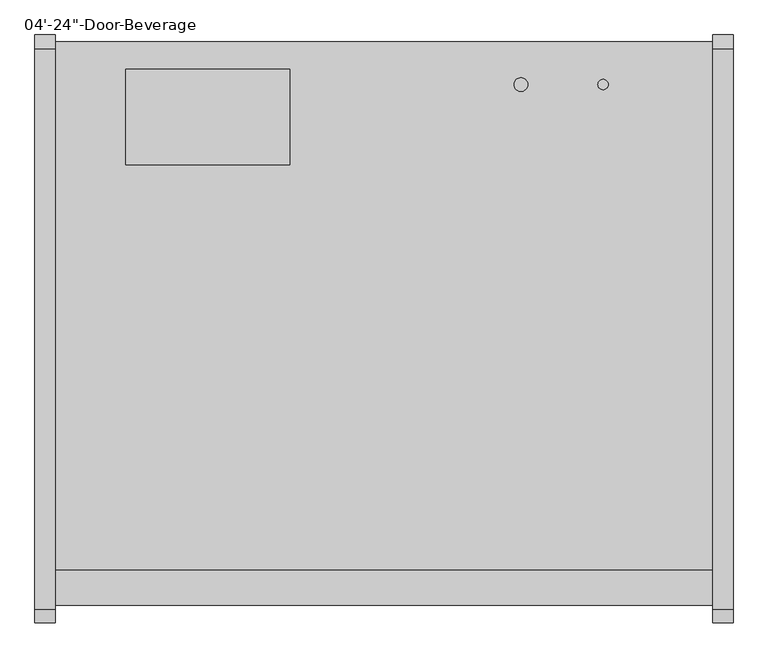
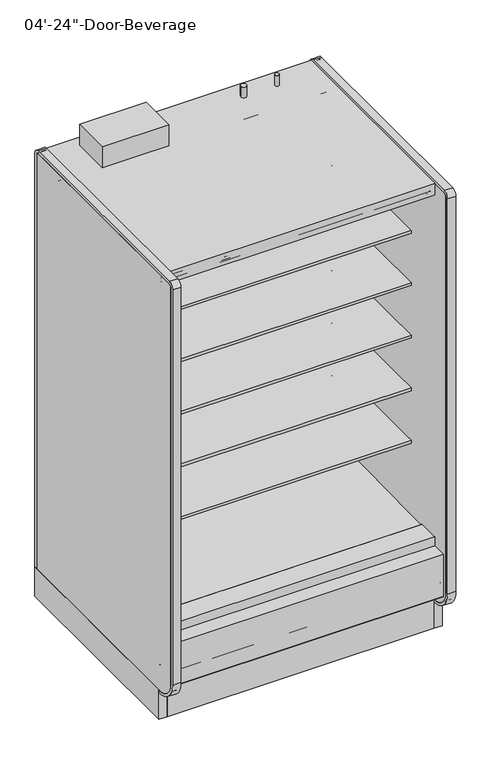
"""IFC4 building model written with IfcOpenShell, lengths in millimetres: proxy geometry."""

from ifc_helpers import new_model, si_unit, point, frame, frame_2d, origin, origin_with_axes, place, context, project, spatial, polyline, circle_curve, trimmed, segment, composite_curve, outline, extrude, source, transform, mapped, element, save
from ifc_brep_helpers import plane_surface, cylinder_surface, revolved_surface, advanced_brep


def proxy_f0cdef7a(model_context):
    return source(origin(), model_context, "Body", "SolidModel", [
        extrude(outline(composite_curve([segment(trimmed(circle_curve(frame_2d((1016.0, -428.3821273)), 9.525), [point((1006.475, -428.3821273))], [point((1025.525, -428.3821273))], False, "CARTESIAN"), True, "CONTINUOUS"), segment(trimmed(circle_curve(frame_2d((1016.0, -428.3821273)), 9.525), [point((1025.525, -428.3821273))], [point((1006.475, -428.3821273))], False, "CARTESIAN"), True, "CONTINUOUS")], self_intersect=False)), frame((0.0, 0.0, 2160.0010137), z_axis=(0.0, 0.0, 1.0), x_axis=(1.0, 0.0, 0.0)), (0.0, 0.0, 1.0), 50.8),
        extrude(outline(composite_curve([segment(trimmed(circle_curve(frame_2d((863.6, -428.3821273)), 12.7), [point((850.9, -428.3821273))], [point((876.3, -428.3821273))], False, "CARTESIAN"), True, "CONTINUOUS"), segment(trimmed(circle_curve(frame_2d((863.6, -428.3821273)), 12.7), [point((876.3, -428.3821273))], [point((850.9, -428.3821273))], False, "CARTESIAN"), True, "CONTINUOUS")], self_intersect=False)), frame((0.0, 0.0, 2160.0010137), z_axis=(0.0, 0.0, 1.0), x_axis=(1.0, 0.0, 0.0)), (0.0, 0.0, 1.0), 50.8),
        extrude(outline(composite_curve([segment(polyline([(-1139.652044, 788.1304004), (-1139.652044, 801.6241504), (-453.852044, 801.6241504), (-453.852044, 700.8188557), (-465.2157046, 700.5975577)]), True, "CONTINUOUS"), segment(trimmed(circle_curve(frame_2d((-465.7036503, 725.6535856)), 25.0607786), [point((-465.2157046, 700.5975577))], [point((-481.6109729, 706.2886764))], False, "CARTESIAN"), True, "CONTINUOUS"), segment(polyline([(-481.6109729, 706.2886764), (-519.8326735, 737.3719449)]), True, "CONTINUOUS"), segment(trimmed(circle_curve(frame_2d((-559.8971466, 688.1064601)), 63.5), [point((-519.8326735, 737.3719449))], [point((-553.0441372, 751.2355839))], True, "CARTESIAN"), True, "CONTINUOUS"), segment(polyline([(-553.0441372, 751.2355839), (-968.6518104, 783.846074), (-968.6518104, 788.1304004), (-1139.652044, 788.1304004)]), True, "CONTINUOUS")], self_intersect=False)), frame((0.0, 0.0, 0.0), z_axis=(1.0, 0.0, 0.0), x_axis=(0.0, 1.0, 0.0)), (0.0, 0.0, 1.0), 1219.2),
        extrude(outline(composite_curve([segment(polyline([(-1139.652044, 1042.1304004), (-1139.652044, 1055.6241504), (-453.852044, 1055.6241504), (-453.852044, 954.8188557), (-465.2157046, 954.5975577)]), True, "CONTINUOUS"), segment(trimmed(circle_curve(frame_2d((-465.7036503, 979.6535856)), 25.0607786), [point((-465.2157046, 954.5975577))], [point((-481.6109729, 960.2886764))], False, "CARTESIAN"), True, "CONTINUOUS"), segment(polyline([(-481.6109729, 960.2886764), (-519.8326735, 991.3719449)]), True, "CONTINUOUS"), segment(trimmed(circle_curve(frame_2d((-559.8971466, 942.1064601)), 63.5), [point((-519.8326735, 991.3719449))], [point((-553.0441372, 1005.2355839))], True, "CARTESIAN"), True, "CONTINUOUS"), segment(polyline([(-553.0441372, 1005.2355839), (-968.6518104, 1037.846074), (-968.6518104, 1042.1304004), (-1139.652044, 1042.1304004)]), True, "CONTINUOUS")], self_intersect=False)), frame((0.0, 0.0, 0.0), z_axis=(1.0, 0.0, 0.0), x_axis=(0.0, 1.0, 0.0)), (0.0, 0.0, 1.0), 1219.2),
        extrude(outline(composite_curve([segment(polyline([(-1139.652044, 1296.1304004), (-1139.652044, 1309.6241504), (-453.852044, 1309.6241504), (-453.852044, 1208.8188557), (-465.2157046, 1208.5975577)]), True, "CONTINUOUS"), segment(trimmed(circle_curve(frame_2d((-465.7036503, 1233.6535856)), 25.0607786), [point((-465.2157046, 1208.5975577))], [point((-481.6109729, 1214.2886764))], False, "CARTESIAN"), True, "CONTINUOUS"), segment(polyline([(-481.6109729, 1214.2886764), (-519.8326735, 1245.3719449)]), True, "CONTINUOUS"), segment(trimmed(circle_curve(frame_2d((-559.8971466, 1196.1064601)), 63.5), [point((-519.8326735, 1245.3719449))], [point((-553.0441372, 1259.2355839))], True, "CARTESIAN"), True, "CONTINUOUS"), segment(polyline([(-553.0441372, 1259.2355839), (-968.6518104, 1291.846074), (-968.6518104, 1296.1304004), (-1139.652044, 1296.1304004)]), True, "CONTINUOUS")], self_intersect=False)), frame((0.0, 0.0, 0.0), z_axis=(1.0, 0.0, 0.0), x_axis=(0.0, 1.0, 0.0)), (0.0, 0.0, 1.0), 1219.2),
        extrude(outline(composite_curve([segment(polyline([(-1139.652044, 1550.1304004), (-1139.652044, 1563.6241504), (-453.852044, 1563.6241504), (-453.852044, 1462.8188557), (-465.2157046, 1462.5975577)]), True, "CONTINUOUS"), segment(trimmed(circle_curve(frame_2d((-465.7036503, 1487.6535856)), 25.0607786), [point((-465.2157046, 1462.5975577))], [point((-481.6109729, 1468.2886764))], False, "CARTESIAN"), True, "CONTINUOUS"), segment(polyline([(-481.6109729, 1468.2886764), (-519.8326735, 1499.3719449)]), True, "CONTINUOUS"), segment(trimmed(circle_curve(frame_2d((-559.8971466, 1450.1064601)), 63.5), [point((-519.8326735, 1499.3719449))], [point((-553.0441372, 1513.2355839))], True, "CARTESIAN"), True, "CONTINUOUS"), segment(polyline([(-553.0441372, 1513.2355839), (-968.6518104, 1545.846074), (-968.6518104, 1550.1304004), (-1139.652044, 1550.1304004)]), True, "CONTINUOUS")], self_intersect=False)), frame((0.0, 0.0, 0.0), z_axis=(1.0, 0.0, 0.0), x_axis=(0.0, 1.0, 0.0)), (0.0, 0.0, 1.0), 1219.2),
        extrude(outline(composite_curve([segment(polyline([(-632.8965773, 2077.3701079), (-1202.1056471, 2077.3701079), (-1202.0779553, 2079.0129758), (-1258.0451873, 2083.4966948), (-1258.0451873, 2075.9223079)]), True, "CONTINUOUS"), segment(trimmed(circle_curve(frame_2d((-1260.5851873, 2075.9223079)), 2.54), [point((-1258.0451873, 2075.9223079))], [point((-1260.5851873, 2073.3823079))], False, "CARTESIAN"), True, "CONTINUOUS"), segment(polyline([(-1260.5851873, 2073.3823079), (-1269.8053873, 2073.3823079)]), True, "CONTINUOUS"), segment(trimmed(circle_curve(frame_2d((-1269.8053873, 2075.9223079)), 2.54), [point((-1269.8053873, 2073.3823079))], [point((-1272.3453873, 2075.9223079))], False, "CARTESIAN"), True, "CONTINUOUS"), segment(polyline([(-1272.3453873, 2075.9223079), (-1272.3453873, 2092.9469554)]), True, "CONTINUOUS"), segment(trimmed(circle_curve(frame_2d((-1274.8853873, 2092.9469554)), 2.54), [point((-1272.3453873, 2092.9469554))], [point((-1274.8853873, 2095.4869554))], True, "CARTESIAN"), True, "CONTINUOUS"), segment(polyline([(-1274.8853873, 2095.4869554), (-1288.8553873, 2095.4869554)]), True, "CONTINUOUS"), segment(trimmed(circle_curve(frame_2d((-1288.8553873, 2098.0269554)), 2.54), [point((-1288.8553873, 2095.4869554))], [point((-1291.3953873, 2098.0269554))], False, "CARTESIAN"), True, "CONTINUOUS"), segment(polyline([(-1291.3953873, 2098.0269554), (-1291.3953873, 2102.7701079), (-402.3474764, 2102.7701079), (-402.3474764, 418.2554484), (-453.852044, 418.2554484), (-453.852044, 2054.7594138)]), True, "CONTINUOUS"), segment(trimmed(circle_curve(frame_2d((-476.4627381, 2054.7594138)), 22.6106941), [point((-453.852044, 2054.7594138))], [point((-476.4627381, 2077.3701079))], True, "CARTESIAN"), True, "CONTINUOUS"), segment(polyline([(-476.4627381, 2077.3701079), (-632.8965773, 2077.3701079)]), True, "CONTINUOUS")], self_intersect=False)), frame((0.0, 0.0, 0.0), z_axis=(1.0, 0.0, 0.0), x_axis=(0.0, 1.0, 0.0)), (0.0, 0.0, 1.0), 1219.2),
        extrude(outline(polyline([(673.1, -1207.3278954), (673.1, -1296.2278954), (368.3, -1296.2278954), (368.3, -1207.3278954), (673.1, -1207.3278954)])), frame((0.0, 0.0, 44.45), z_axis=(0.0, 0.0, 1.0), x_axis=(1.0, 0.0, 0.0)), (0.0, 0.0, 1.0), 6.35),
        advanced_brep(
        [(1219.2, -1318.106026, 204.9450868), (1219.2, -1318.106026, 0.0), (1219.2, -1154.5934832, 0.0), (1219.2, -1154.5934832, 130.5306), (1219.2, -1226.6745247, 130.5306), (1219.2, -1377.1737273, 256.8144254), (1219.2, -1377.1737273, 391.9982), (1219.2, -1326.8776974, 391.9982), (1219.2, -1326.8776974, 404.6728), (1219.2, -1393.9631273, 404.6728), (1219.2, -1393.9631273, 201.3982889), (1219.2, -1384.4389382, 195.8985595), (1219.2, -1339.6997646, 221.7199387), (0.0, -1318.106026, 204.9450868), (0.0, -1339.6997646, 221.7199387), (0.0, -1384.4389382, 195.8985595), (0.0, -1393.9631273, 201.3982889), (0.0, -1393.9631273, 404.6728), (0.0, -1326.8776974, 404.6728), (0.0, -1326.8776974, 391.9982), (0.0, -1377.1737273, 391.9982), (0.0, -1377.1737273, 256.8144254), (0.0, -1226.6745247, 130.5306), (0.0, -1154.5934832, 130.5306), (0.0, -1154.5934832, 0.0), (0.0, -1318.106026, 0.0), (677.9753763, -1301.1164467, 0.0), (677.9753763, -1203.5310315, 0.0), (363.1798722, -1203.5310315, 0.0), (363.1798722, -1301.1164467, 0.0), (677.9753763, -1301.1164467, 50.8), (677.9753763, -1203.5310315, 50.8), (363.1798722, -1203.5310315, 50.8), (363.1798722, -1301.1164467, 50.8)],
        [
            (0, 1),
            (1, 2),
            (2, 3),
            (3, 4),
            (4, 5),
            (5, 6),
            (6, 7),
            (7, 8),
            (8, 9),
            (9, 10),
            (10, 11, circle_curve(frame((1219.2, -1387.6131273, 201.3982889), z_axis=(1.0, 0.0, 0.0), x_axis=(0.0, 1.0, 0.0)), 6.35)),
            (11, 12),
            (12, 0),
            (13, 14),
            (14, 15),
            (15, 16, circle_curve(frame((0.0, -1387.6131273, 201.3982889), z_axis=(-1.0, 0.0, 0.0), x_axis=(0.0, 1.0, 0.0)), 6.35)),
            (16, 17),
            (17, 18),
            (18, 19),
            (19, 20),
            (20, 21),
            (21, 22),
            (22, 23),
            (23, 24),
            (24, 25),
            (25, 13),
            (0, 13),
            (25, 1),
            (24, 2),
            (26, 27),
            (27, 28),
            (28, 29),
            (29, 26),
            (23, 3),
            (22, 4),
            (21, 5),
            (20, 6),
            (19, 7),
            (18, 8),
            (17, 9),
            (16, 10),
            (15, 11),
            (14, 12),
            (26, 30),
            (30, 31),
            (31, 27),
            (28, 32),
            (32, 33),
            (33, 29),
            (31, 32),
            (30, 33),
        ],
        [
            plane_surface(frame((1219.2, -1318.106026, 0.0), z_axis=(1.0, 0.0, 0.0), x_axis=(0.0, 0.0, -1.0))),
            plane_surface(frame((0.0, -1318.106026, 0.0), z_axis=(-1.0, 0.0, 0.0), x_axis=(0.0, 0.0, 1.0))),
            plane_surface(frame((1219.2, -1318.106026, 204.9450868), z_axis=(0.0, -1.0, 0.0), x_axis=(-1.0, 0.0, 0.0))),
            plane_surface(frame((1219.2, -1318.106026, 0.0), z_axis=(0.0, 0.0, -1.0), x_axis=(-1.0, 0.0, 0.0))),
            plane_surface(frame((1219.2, -1154.5934832, 0.0), z_axis=(0.0, 1.0, 0.0), x_axis=(-1.0, 0.0, 0.0))),
            plane_surface(frame((1219.2, -1154.5934832, 130.5306), z_axis=(0.0, 0.0, 1.0), x_axis=(-1.0, 0.0, 0.0))),
            plane_surface(frame((1219.2, -1226.6745247, 130.5306), z_axis=(0.0, 0.6427876096877188, 0.7660444431179884), x_axis=(-1.0, 0.0, 0.0))),
            plane_surface(frame((1219.2, -1377.1737273, 256.8144254), z_axis=(0.0, 1.0, 0.0), x_axis=(-1.0, 0.0, 0.0))),
            plane_surface(frame((1219.2, -1377.1737273, 391.9982), z_axis=(0.0, 0.0, -1.0), x_axis=(-1.0, 0.0, 0.0))),
            plane_surface(frame((1219.2, -1326.8776974, 391.9982), z_axis=(0.0, 1.0, 0.0), x_axis=(-1.0, 0.0, 0.0))),
            plane_surface(frame((1219.2, -1326.8776974, 404.6728), z_axis=(0.0, 0.0, 1.0), x_axis=(-1.0, 0.0, 0.0))),
            plane_surface(frame((1219.2, -1393.9631273, 404.6728), z_axis=(0.0, -1.0, 0.0), x_axis=(-1.0, 0.0, 0.0))),
            cylinder_surface(frame((0.0, -1387.6131273, 201.3982889), z_axis=(1.0, 0.0, 0.0), x_axis=(0.0, 1.0, 0.0)), 6.35),
            plane_surface(frame((1219.2, -1384.4389382, 195.8985595), z_axis=(0.0, 0.4998723022013517, -0.8660991175910068), x_axis=(-1.0, 0.0, 0.0))),
            plane_surface(frame((1219.2, -1339.6997646, 221.7199387), z_axis=(0.0, -0.6134784338805639, -0.7897114733644501), x_axis=(-1.0, 0.0, 0.0))),
            plane_surface(frame((677.9753763, -1207.3278954, 0.0), z_axis=(-1.0, 0.0, 0.0), x_axis=(0.0, 1.0, 0.0))),
            plane_surface(frame((363.1798722, -1207.3278954, 0.0), z_axis=(1.0, 0.0, 0.0), x_axis=(0.0, -1.0, 0.0))),
            plane_surface(frame((677.9753763, -1203.5310315, 0.0), z_axis=(0.0, -1.0, 0.0), x_axis=(-1.0, 0.0, 0.0))),
            plane_surface(frame((677.9753763, -1203.5310315, 50.8), z_axis=(0.0, 0.0, -1.0), x_axis=(-1.0, 0.0, 0.0))),
            plane_surface(frame((677.9753763, -1301.1164467, 50.8), z_axis=(0.0, 1.0, 0.0), x_axis=(-1.0, 0.0, 0.0))),
        ],
        [
            (0, [[1, 2, 3, 4, 5, 6, 7, 8, 9, 10, 11, 12, 13]]),
            (1, [[14, 15, 16, 17, 18, 19, 20, 21, 22, 23, 24, 25, 26]]),
            (2, [[-1, 27, -26, 28]]),
            (3, [[-2, -28, -25, 29], [30, 31, 32, 33]]),
            (4, [[-3, -29, -24, 34]]),
            (5, [[-4, -34, -23, 35]]),
            (6, [[-5, -35, -22, 36]]),
            (7, [[-6, -36, -21, 37]]),
            (8, [[-7, -37, -20, 38]]),
            (9, [[-8, -38, -19, 39]]),
            (10, [[-9, -39, -18, 40]]),
            (11, [[-10, -40, -17, 41]]),
            (12, [[-11, -41, -16, 42]]),
            (13, [[-12, -42, -15, 43]]),
            (14, [[-13, -43, -14, -27]]),
            (15, [[44, 45, 46, -30]]),
            (16, [[47, 48, 49, -32]]),
            (17, [[-46, 50, -47, -31]]),
            (18, [[-45, 51, -48, -50]]),
            (19, [[-44, -33, -49, -51]]),
        ],
    ),
        extrude(outline(composite_curve([segment(trimmed(circle_curve(frame_2d((354.0125, 1143.0)), 12.7), [point((341.3125, 1143.0))], [point((366.7125, 1143.0))], False, "CARTESIAN"), True, "CONTINUOUS"), segment(trimmed(circle_curve(frame_2d((354.0125, 1143.0)), 12.7), [point((366.7125, 1143.0))], [point((341.3125, 1143.0))], False, "CARTESIAN"), True, "CONTINUOUS")], self_intersect=False)), frame((0.0, -399.8071273, 0.0), z_axis=(0.0, 1.0, 0.0), x_axis=(0.0, 0.0, 1.0)), (0.0, 0.0, 1.0), 50.8),
        extrude(outline(composite_curve([segment(trimmed(circle_curve(frame_2d((354.0125, 1092.2)), 9.525), [point((344.4875, 1092.2))], [point((363.5375, 1092.2))], False, "CARTESIAN"), True, "CONTINUOUS"), segment(trimmed(circle_curve(frame_2d((354.0125, 1092.2)), 9.525), [point((363.5375, 1092.2))], [point((344.4875, 1092.2))], False, "CARTESIAN"), True, "CONTINUOUS")], self_intersect=False)), frame((0.0, -399.8071273, 0.0), z_axis=(0.0, 1.0, 0.0), x_axis=(0.0, 0.0, 1.0)), (0.0, 0.0, 1.0), 50.8),
        advanced_brep(
        [(1219.2, -349.0071273, 130.5306), (1219.2, -349.0071273, 2159.0692079), (1219.2, -1328.759197, 2159.0692079), (1219.2, -1328.759197, 2102.7701079), (1219.2, -402.3474764, 2102.7701079), (1219.2, -402.3474764, 358.6596808), (1219.2, -549.3331942, 211.7249958), (1219.2, -991.2928374, 196.2548056), (1219.2, -1033.515372, 165.5831237), (1219.2, -1035.4689267, 165.5149041), (1219.2, -1048.6488905, 157.9054484), (1219.2, -1108.9738905, 157.9054484), (1219.2, -1117.2097949, 162.6604501), (1219.2, -1119.3438463, 162.5859274), (1219.2, -1169.010644, 190.034038), (1219.2, -1325.2901974, 342.4428), (1219.2, -1325.2901974, 391.9982), (1219.2, -1377.1737273, 391.9982), (1219.2, -1377.1737273, 256.8144254), (1219.2, -1226.6745247, 130.5306), (0.0, -349.0071273, 130.5306), (0.0, -1226.6745247, 130.5306), (0.0, -1377.1737273, 256.8144254), (0.0, -1377.1737273, 391.9982), (0.0, -1325.2901974, 391.9982), (0.0, -1325.2901974, 342.4428), (0.0, -1169.010644, 190.034038), (0.0, -1119.3438463, 162.5859274), (0.0, -1117.2097949, 162.6604501), (0.0, -1108.9738905, 157.9054484), (0.0, -1048.6488905, 157.9054484), (0.0, -1035.4689267, 165.5149041), (0.0, -1033.515372, 165.5831237), (0.0, -991.2928374, 196.2548056), (0.0, -549.3331942, 211.7249958), (0.0, -402.3474764, 358.6596808), (0.0, -402.3474764, 2102.7701079), (0.0, -1328.759197, 2102.7701079), (0.0, -1328.759197, 2159.0692079), (0.0, -349.0071273, 2159.0692079), (1117.6, -349.0071273, 303.2125), (1117.6, -349.0071273, 404.8125), (1117.6, -399.8071273, 404.8125), (1117.6, -399.8071273, 303.2125)],
        [
            (0, 1),
            (1, 2),
            (2, 3),
            (3, 4),
            (4, 5),
            (5, 6, circle_curve(frame((1219.2, -554.6779329, 364.0573175), z_axis=(-1.0, 0.0, 0.0), x_axis=(0.0, 1.0, 0.0)), 152.4260557)),
            (6, 7),
            (7, 8),
            (8, 9),
            (9, 10),
            (10, 11),
            (11, 12),
            (12, 13),
            (13, 14),
            (14, 15, circle_curve(frame((1219.2, -1174.2931139, 340.9461144), z_axis=(-1.0, 0.0, 0.0), x_axis=(0.0, 1.0, 0.0)), 151.0045009)),
            (15, 16),
            (16, 17),
            (17, 18),
            (18, 19),
            (19, 0),
            (20, 21),
            (21, 22),
            (22, 23),
            (23, 24),
            (24, 25),
            (25, 26, circle_curve(frame((0.0, -1174.2931139, 340.9461144), z_axis=(1.0, 0.0, 0.0), x_axis=(0.0, 1.0, 0.0)), 151.0045009)),
            (26, 27),
            (27, 28),
            (28, 29),
            (29, 30),
            (30, 31),
            (31, 32),
            (32, 33),
            (33, 34),
            (34, 35, circle_curve(frame((0.0, -554.6779329, 364.0573175), z_axis=(1.0, 0.0, 0.0), x_axis=(0.0, 1.0, 0.0)), 152.4260557)),
            (35, 36),
            (36, 37),
            (37, 38),
            (38, 39),
            (39, 20),
            (0, 20),
            (39, 1),
            (40, 41, circle_curve(frame((1117.6, -349.0071273, 354.0125), z_axis=(0.0, -1.0, 0.0), x_axis=(0.0, 0.0, -1.0)), 50.8)),
            (41, 40, circle_curve(frame((1117.6, -349.0071273, 354.0125), z_axis=(0.0, -1.0, 0.0), x_axis=(0.0, 0.0, -1.0)), 50.8)),
            (38, 2),
            (37, 3),
            (36, 4),
            (6, 34),
            (33, 7),
            (32, 8),
            (31, 9),
            (30, 10),
            (29, 11),
            (28, 12),
            (27, 13),
            (26, 14),
            (25, 15),
            (24, 16),
            (23, 17),
            (22, 18),
            (21, 19),
            (35, 5),
            (42, 43, circle_curve(frame((1117.6, -399.8071273, 354.0125), z_axis=(0.0, 1.0, 0.0), x_axis=(0.0, 0.0, -1.0)), 50.8)),
            (43, 42, circle_curve(frame((1117.6, -399.8071273, 354.0125), z_axis=(0.0, 1.0, 0.0), x_axis=(0.0, 0.0, -1.0)), 50.8)),
            (42, 41),
            (40, 43),
        ],
        [
            plane_surface(frame((1219.2, -349.0071273, 2154.3067079), z_axis=(1.0, 0.0, 0.0), x_axis=(0.0, 0.0, 1.0))),
            plane_surface(frame((0.0, -349.0071273, 2154.3067079), z_axis=(-1.0, 0.0, 0.0), x_axis=(0.0, 0.0, -1.0))),
            plane_surface(frame((1219.2, -349.0071273, 130.5306), z_axis=(0.0, 1.0, 0.0), x_axis=(-1.0, 0.0, 0.0))),
            plane_surface(frame((1219.2, -349.0071273, 2159.0692079), z_axis=(0.0, 0.0, 1.0), x_axis=(-1.0, 0.0, 0.0))),
            plane_surface(frame((1219.2, -1328.759197, 2159.0692079), z_axis=(0.0, -1.0, 0.0), x_axis=(-1.0, 0.0, 0.0))),
            plane_surface(frame((1219.2, -1328.759197, 2102.7701079), z_axis=(0.0, 0.0, -1.0), x_axis=(-1.0, 0.0, 0.0))),
            plane_surface(frame((1219.2, -549.3331942, 211.7249958), z_axis=(0.0, -0.03498220179415916, 0.9993879354673203), x_axis=(-1.0, 0.0, 0.0))),
            plane_surface(frame((1219.2, -991.2928374, 196.2548056), z_axis=(0.0, -0.5877252382161511, 0.8090605937528836), x_axis=(-1.0, 0.0, 0.0))),
            plane_surface(frame((1219.2, -1033.515372, 165.5831237), z_axis=(0.0, -0.034899496717989933, 0.9993908270185549), x_axis=(-1.0, 0.0, 0.0))),
            plane_surface(frame((1219.2, -1035.4689267, 165.5149041), z_axis=(0.0, -0.5000000000128472, 0.8660254037770214), x_axis=(-1.0, 0.0, 0.0))),
            plane_surface(frame((1219.2, -1048.6488905, 157.9054484), z_axis=(0.0, 0.0, 1.0), x_axis=(-1.0, 0.0, 0.0))),
            plane_surface(frame((1219.2, -1108.9738905, 157.9054484), z_axis=(0.0, 0.49999999998692984, 0.8660254037919848), x_axis=(-1.0, 0.0, 0.0))),
            plane_surface(frame((1219.2, -1117.2097949, 162.6604501), z_axis=(0.0, -0.03489949671806632, 0.9993908270185522), x_axis=(-1.0, 0.0, 0.0))),
            plane_surface(frame((1219.2, -1119.3438463, 162.5859274), z_axis=(0.0, 0.483695152932422, 0.8752365389023021), x_axis=(-1.0, 0.0, 0.0))),
            revolved_surface(polyline([(0.0, -1023.2886129999999, 340.9461144), (1219.2, -1023.2886129999999, 340.9461144)]), (0.0, -1174.2931139, 340.9461144), (-1.0, 0.0, 0.0)),
            plane_surface(frame((1219.2, -1325.2901974, 342.4428), z_axis=(0.0, 1.0, 0.0), x_axis=(-1.0, 0.0, 0.0))),
            plane_surface(frame((1219.2, -1325.2901974, 391.9982), z_axis=(0.0, 0.0, 1.0), x_axis=(-1.0, 0.0, 0.0))),
            plane_surface(frame((1219.2, -1377.1737273, 391.9982), z_axis=(0.0, -1.0, 0.0), x_axis=(-1.0, 0.0, 0.0))),
            plane_surface(frame((1219.2, -1377.1737273, 256.8144254), z_axis=(0.0, -0.6427876096877191, -0.7660444431179881), x_axis=(-1.0, 0.0, 0.0))),
            plane_surface(frame((1219.2, -1226.6745247, 130.5306), z_axis=(0.0, 0.0, -1.0), x_axis=(-1.0, 0.0, 0.0))),
            plane_surface(frame((1219.2, -402.3474764, 2102.7701079), z_axis=(0.0, -1.0, 0.0), x_axis=(-1.0, 0.0, 0.0))),
            revolved_surface(polyline([(0.0, -402.25187719999997, 364.0573175), (1219.2, -402.25187719999997, 364.0573175)]), (0.0, -554.6779329, 364.0573175), (-1.0, 0.0, 0.0)),
            plane_surface(frame((1117.6, -399.8071273, 303.2125), z_axis=(0.0, 1.0, 0.0), x_axis=(1.0, 0.0, 0.0))),
            revolved_surface(polyline([(1117.6, -349.0071273, 303.2125), (1117.6, -399.8071273, 303.2125)]), (1117.6, -399.8071273, 354.0125), (0.0, 1.0, 0.0)),
        ],
        [
            (0, [[1, 2, 3, 4, 5, 6, 7, 8, 9, 10, 11, 12, 13, 14, 15, 16, 17, 18, 19, 20]]),
            (1, [[21, 22, 23, 24, 25, 26, 27, 28, 29, 30, 31, 32, 33, 34, 35, 36, 37, 38, 39, 40]]),
            (2, [[-1, 41, -40, 42], [43, 44]]),
            (3, [[-2, -42, -39, 45]]),
            (4, [[-3, -45, -38, 46]]),
            (5, [[-4, -46, -37, 47]]),
            (6, [[-7, 48, -34, 49]]),
            (7, [[-8, -49, -33, 50]]),
            (8, [[-9, -50, -32, 51]]),
            (9, [[-10, -51, -31, 52]]),
            (10, [[-11, -52, -30, 53]]),
            (11, [[-12, -53, -29, 54]]),
            (12, [[-13, -54, -28, 55]]),
            (13, [[-14, -55, -27, 56]]),
            (14, [[-15, -56, -26, 57]]),
            (15, [[-16, -57, -25, 58]]),
            (16, [[-17, -58, -24, 59]]),
            (17, [[-18, -59, -23, 60]]),
            (18, [[-19, -60, -22, 61]]),
            (19, [[-20, -61, -21, -41]]),
            (20, [[-5, -47, -36, 62]]),
            (21, [[-6, -62, -35, -48]]),
            (22, [[63, 64]]),
            (23, [[-63, 65, -43, 66]]),
            (23, [[-64, -66, -44, -65]]),
        ],
    ),
        extrude(outline(composite_curve([segment(trimmed(circle_curve(frame_2d((609.6, -1072.9071273)), 38.1), [point((571.5, -1072.9071273))], [point((647.7, -1072.9071273))], False, "CARTESIAN"), True, "CONTINUOUS"), segment(trimmed(circle_curve(frame_2d((609.6, -1072.9071273)), 38.1), [point((647.7, -1072.9071273))], [point((571.5, -1072.9071273))], False, "CARTESIAN"), True, "CONTINUOUS")], self_intersect=False)), frame((0.0, 0.0, 61.2666507), z_axis=(0.0, 0.0, 1.0), x_axis=(1.0, 0.0, 0.0)), (0.0, 0.0, 1.0), 65.7333493),
        extrude(outline(composite_curve([segment(trimmed(circle_curve(frame_2d((1023.9375, -1076.0821273)), 12.7), [point((1011.2375, -1076.0821273))], [point((1036.6375, -1076.0821273))], False, "CARTESIAN"), True, "CONTINUOUS"), segment(trimmed(circle_curve(frame_2d((1023.9375, -1076.0821273)), 12.7), [point((1036.6375, -1076.0821273))], [point((1011.2375, -1076.0821273))], False, "CARTESIAN"), True, "CONTINUOUS")], self_intersect=False)), frame((0.0, 0.0, 61.2666507), z_axis=(0.0, 0.0, 1.0), x_axis=(1.0, 0.0, 0.0)), (0.0, 0.0, 1.0), 65.7333493),
        extrude(outline(composite_curve([segment(trimmed(circle_curve(frame_2d((973.1375, -1076.0821273)), 9.525), [point((963.6125, -1076.0821273))], [point((982.6625, -1076.0821273))], False, "CARTESIAN"), True, "CONTINUOUS"), segment(trimmed(circle_curve(frame_2d((973.1375, -1076.0821273)), 9.525), [point((982.6625, -1076.0821273))], [point((963.6125, -1076.0821273))], False, "CARTESIAN"), True, "CONTINUOUS")], self_intersect=False)), frame((0.0, 0.0, 61.2666507), z_axis=(0.0, 0.0, 1.0), x_axis=(1.0, 0.0, 0.0)), (0.0, 0.0, 1.0), 65.7333493),
        advanced_brep(
        [(1219.2, -349.0071273, 0.0), (1219.2, -349.0071273, 130.5306), (1219.2, -1154.5934832, 130.5306), (1219.2, -1154.5934832, 0.0), (1219.2, -1108.6576273, 0.0), (1219.2, -1108.6576273, 74.8810382), (1219.2, -394.2191273, 74.8810382), (1219.2, -394.2191273, 0.0), (0.0, -349.0071273, 0.0), (0.0, -394.2191273, 0.0), (0.0, -394.2191273, 74.8810382), (0.0, -1108.6576273, 74.8810382), (0.0, -1108.6576273, 0.0), (0.0, -1154.5934832, 0.0), (0.0, -1154.5934832, 130.5306), (0.0, -349.0071273, 130.5306), (573.5092567, -1108.6576273, 74.8810382), (573.5092567, -1108.6576273, 127.0), (645.6907433, -1108.6576273, 127.0), (645.6907433, -1108.6576273, 74.8810382), (959.5570331, -1108.6576273, 74.8810382), (959.5570331, -1108.6576273, 127.0), (1037.5179669, -1108.6576273, 127.0), (1037.5179669, -1108.6576273, 74.8810382)],
        [
            (0, 1),
            (1, 2),
            (2, 3),
            (3, 4),
            (4, 5),
            (5, 6),
            (6, 7),
            (7, 0),
            (8, 9),
            (9, 10),
            (10, 11),
            (11, 12),
            (12, 13),
            (13, 14),
            (14, 15),
            (15, 8),
            (0, 8),
            (15, 1),
            (14, 2),
            (13, 3),
            (12, 4),
            (11, 16),
            (16, 17),
            (17, 18),
            (18, 19),
            (19, 20),
            (20, 21),
            (21, 22),
            (22, 23),
            (23, 5),
            (23, 20, circle_curve(frame((998.5375, -1076.0821273, 74.8810382), z_axis=(0.0, 0.0, 1.0), x_axis=(1.0, 0.0, 0.0)), 50.8)),
            (19, 16, circle_curve(frame((609.6, -1072.9071273, 74.8810382), z_axis=(0.0, 0.0, 1.0), x_axis=(1.0, 0.0, 0.0)), 50.8)),
            (10, 6),
            (9, 7),
            (17, 18, circle_curve(frame((609.6, -1072.9071273, 127.0), z_axis=(0.0, 0.0, -1.0), x_axis=(1.0, 0.0, 0.0)), 50.8)),
            (21, 22, circle_curve(frame((998.5375, -1076.0821273, 127.0), z_axis=(0.0, 0.0, -1.0), x_axis=(1.0, 0.0, 0.0)), 50.8)),
        ],
        [
            plane_surface(frame((1219.2, -349.0071273, 2438.4), z_axis=(1.0, 0.0, 0.0), x_axis=(0.0, 0.0, 1.0))),
            plane_surface(frame((0.0, -349.0071273, 2438.4), z_axis=(-1.0, 0.0, 0.0), x_axis=(0.0, 0.0, -1.0))),
            plane_surface(frame((1219.2, -349.0071273, 0.0), z_axis=(0.0, 1.0, 0.0), x_axis=(-1.0, 0.0, 0.0))),
            plane_surface(frame((1219.2, -349.0071273, 130.5306), z_axis=(0.0, 0.0, 1.0), x_axis=(-1.0, 0.0, 0.0))),
            plane_surface(frame((1219.2, -1154.5934832, 130.5306), z_axis=(0.0, -1.0, 0.0), x_axis=(-1.0, 0.0, 0.0))),
            plane_surface(frame((1219.2, -1154.5934832, 0.0), z_axis=(0.0, 0.0, -1.0), x_axis=(-1.0, 0.0, 0.0))),
            plane_surface(frame((1219.2, -1108.6576273, 0.0), z_axis=(0.0, 1.0, 0.0), x_axis=(-1.0, 0.0, 0.0))),
            plane_surface(frame((1219.2, -1108.6576273, 74.8810382), z_axis=(0.0, 0.0, -1.0), x_axis=(-1.0, 0.0, 0.0))),
            plane_surface(frame((1219.2, -394.2191273, 74.8810382), z_axis=(0.0, -1.0, 0.0), x_axis=(-1.0, 0.0, 0.0))),
            plane_surface(frame((1219.2, -394.2191273, 0.0), z_axis=(0.0, 0.0, -1.0), x_axis=(-1.0, 0.0, 0.0))),
            plane_surface(frame((645.6907433, -1108.6576273, 127.0), z_axis=(0.0, 0.0, -1.0), x_axis=(1.0, 0.0, 0.0))),
            revolved_surface(polyline([(660.4, -1072.9071273, 127.0), (660.4, -1072.9071273, 74.8810382)]), (609.6, -1072.9071273, 0.0), (0.0, 0.0, 1.0)),
            plane_surface(frame((1037.5179669, -1108.6576273, 127.0), z_axis=(0.0, 0.0, -1.0), x_axis=(1.0, 0.0, 0.0))),
            revolved_surface(polyline([(1049.3375, -1076.0821273, 127.0), (1049.3375, -1076.0821273, 74.8810382)]), (998.5375, -1076.0821273, 0.0), (0.0, 0.0, 1.0)),
        ],
        [
            (0, [[1, 2, 3, 4, 5, 6, 7, 8]]),
            (1, [[9, 10, 11, 12, 13, 14, 15, 16]]),
            (2, [[-1, 17, -16, 18]]),
            (3, [[-2, -18, -15, 19]]),
            (4, [[-3, -19, -14, 20]]),
            (5, [[21, -4, -20, -13]]),
            (6, [[-5, -21, -12, 22, 23, 24, 25, 26, 27, 28, 29, 30]]),
            (7, [[-6, -30, 31, -26, 32, -22, -11, 33]]),
            (8, [[-7, -33, -10, 34]]),
            (9, [[-8, -34, -9, -17]]),
            (10, [[35, -24]]),
            (11, [[-35, -23, -32, -25]]),
            (12, [[36, -28]]),
            (13, [[-36, -27, -31, -29]]),
        ],
    ),
        extrude(outline(composite_curve([segment(polyline([(-1139.652044, 1803.3473276), (-1139.652044, 1816.8410776), (-453.852044, 1816.8410776), (-453.852044, 1716.035783), (-465.2157046, 1715.814485)]), True, "CONTINUOUS"), segment(trimmed(circle_curve(frame_2d((-465.7036503, 1740.8705128)), 25.0607786), [point((-465.2157046, 1715.814485))], [point((-481.6109729, 1721.5056036))], False, "CARTESIAN"), True, "CONTINUOUS"), segment(polyline([(-481.6109729, 1721.5056036), (-519.8326735, 1752.5888722)]), True, "CONTINUOUS"), segment(trimmed(circle_curve(frame_2d((-559.8971466, 1703.3233874)), 63.5), [point((-519.8326735, 1752.5888722))], [point((-553.0441372, 1766.4525111))], True, "CARTESIAN"), True, "CONTINUOUS"), segment(polyline([(-553.0441372, 1766.4525111), (-968.6518104, 1799.0630012), (-968.6518104, 1803.3473276), (-1139.652044, 1803.3473276)]), True, "CONTINUOUS")], self_intersect=False)), frame((0.0, 0.0, 0.0), z_axis=(1.0, 0.0, 0.0), x_axis=(0.0, 1.0, 0.0)), (0.0, 0.0, 1.0), 1219.2),
        extrude(outline(polyline([(434.975, -399.8071273), (434.975, -577.6071273), (130.175, -577.6071273), (130.175, -399.8071273), (434.975, -399.8071273)])), frame((0.0, 0.0, 2160.0010137), z_axis=(0.0, 0.0, 1.0), x_axis=(1.0, 0.0, 0.0)), (0.0, 0.0, 1.0), 101.1788283),
        extrude(outline(composite_curve([segment(polyline([(-453.852044, 452.2592331), (-453.852044, 418.2554484), (-402.3474764, 418.2554484), (-402.3474764, 358.6596808)]), True, "CONTINUOUS"), segment(trimmed(circle_curve(frame_2d((-554.6779329, 364.0573175)), 152.4260557), [point((-402.3474764, 358.6596808))], [point((-549.3331942, 211.7249958))], False, "CARTESIAN"), True, "CONTINUOUS"), segment(polyline([(-549.3331942, 211.7249958), (-991.2928374, 196.2548056), (-1033.515372, 165.5831237), (-1035.4689267, 165.5149041), (-1048.6488905, 157.9054484), (-1108.9738905, 157.9054484), (-1117.2097949, 162.6604501), (-1119.3438463, 162.5859274), (-1169.010644, 190.034038)]), True, "CONTINUOUS"), segment(trimmed(circle_curve(frame_2d((-1174.2931139, 340.9461144)), 151.0045009), [point((-1169.010644, 190.034038))], [point((-1325.2901974, 342.4428))], False, "CARTESIAN"), True, "CONTINUOUS"), segment(polyline([(-1325.2901974, 342.4428), (-1325.2901974, 391.9982), (-1326.8776974, 391.9982), (-1326.8776974, 447.5353), (-1227.4661273, 447.5353)]), True, "CONTINUOUS"), segment(trimmed(circle_curve(frame_2d((-1227.4661273, 445.4779)), 2.0574), [point((-1227.4661273, 447.5353))], [point((-1225.4087273, 445.4779))], False, "CARTESIAN"), True, "CONTINUOUS"), segment(polyline([(-1225.4087273, 445.4779), (-1225.4087273, 438.3756667), (-453.852044, 452.2592331)]), True, "CONTINUOUS")], self_intersect=False)), frame((0.0, 0.0, 0.0), z_axis=(1.0, 0.0, 0.0), x_axis=(0.0, 1.0, 0.0)), (0.0, 0.0, 1.0), 1219.2),
        extrude(outline(composite_curve([segment(trimmed(circle_curve(frame_2d((-1325.3196273, 232.1306)), 88.9), [point((-1414.2196273, 232.1306))], [point((-1325.3196273, 143.2306))], True, "CARTESIAN"), True, "CONTINUOUS"), segment(polyline([(-1325.3196273, 143.2306), (-1318.106026, 143.2306), (-1318.106026, 130.7870064)]), True, "CONTINUOUS"), segment(trimmed(circle_curve(frame_2d((-1325.3196273, 232.1306)), 101.6), [point((-1318.106026, 130.7870064))], [point((-1426.9196273, 232.1306))], False, "CARTESIAN"), True, "CONTINUOUS"), segment(polyline([(-1426.9196273, 232.1306), (-1426.9196273, 2143.5486906)]), True, "CONTINUOUS"), segment(trimmed(circle_curve(frame_2d((-1401.5196273, 2143.5486906)), 25.4), [point((-1426.9196273, 2143.5486906))], [point((-1401.5196273, 2168.9486906))], False, "CARTESIAN"), True, "CONTINUOUS"), segment(polyline([(-1401.5196273, 2168.9486906), (-361.7071273, 2168.9486906)]), True, "CONTINUOUS"), segment(trimmed(circle_curve(frame_2d((-361.7071273, 2143.5486906)), 25.4), [point((-361.7071273, 2168.9486906))], [point((-336.3071273, 2143.5486906))], False, "CARTESIAN"), True, "CONTINUOUS"), segment(polyline([(-336.3071273, 2143.5486906), (-336.3071273, 143.2306), (-349.0071273, 143.2306), (-349.0071273, 2143.5486906)]), True, "CONTINUOUS"), segment(trimmed(circle_curve(frame_2d((-361.7071273, 2143.5486906)), 12.7), [point((-349.0071273, 2143.5486906))], [point((-361.7071273, 2156.2486906))], True, "CARTESIAN"), True, "CONTINUOUS"), segment(polyline([(-361.7071273, 2156.2486906), (-1401.5196273, 2156.2486906)]), True, "CONTINUOUS"), segment(trimmed(circle_curve(frame_2d((-1401.5196273, 2143.5486906)), 12.7), [point((-1401.5196273, 2156.2486906))], [point((-1414.2196273, 2143.5486906))], True, "CARTESIAN"), True, "CONTINUOUS"), segment(polyline([(-1414.2196273, 2143.5486906), (-1414.2196273, 232.1306)]), True, "CONTINUOUS")], self_intersect=False)), frame((1219.2, 0.0, 0.0), z_axis=(1.0, 0.0, 0.0), x_axis=(0.0, 1.0, 0.0)), (0.0, 0.0, 1.0), 38.1),
        extrude(outline(polyline([(1257.3, -336.3071273), (1257.3, -1318.106026), (1219.2, -1318.106026), (1219.2, -336.3071273), (1257.3, -336.3071273)])), origin_with_axes(), (0.0, 0.0, 1.0), 143.2306),
        extrude(outline(composite_curve([segment(polyline([(-1414.2196273, 232.1306), (-1414.2196273, 2143.5486906)]), True, "CONTINUOUS"), segment(trimmed(circle_curve(frame_2d((-1401.5196273, 2143.5486906)), 12.7), [point((-1414.2196273, 2143.5486906))], [point((-1401.5196273, 2156.2486906))], False, "CARTESIAN"), True, "CONTINUOUS"), segment(polyline([(-1401.5196273, 2156.2486906), (-361.7071273, 2156.2486906)]), True, "CONTINUOUS"), segment(trimmed(circle_curve(frame_2d((-361.7071273, 2143.5486906)), 12.7), [point((-361.7071273, 2156.2486906))], [point((-349.0071273, 2143.5486906))], False, "CARTESIAN"), True, "CONTINUOUS"), segment(polyline([(-349.0071273, 2143.5486906), (-349.0071273, 143.2306), (-1325.3196273, 143.2306)]), True, "CONTINUOUS"), segment(trimmed(circle_curve(frame_2d((-1325.3196273, 232.1306)), 88.9), [point((-1325.3196273, 143.2306))], [point((-1414.2196273, 232.1306))], False, "CARTESIAN"), True, "CONTINUOUS")], self_intersect=False)), frame((1219.2, 0.0, 0.0), z_axis=(1.0, 0.0, 0.0), x_axis=(0.0, 1.0, 0.0)), (0.0, 0.0, 1.0), 38.1),
        extrude(outline(composite_curve([segment(trimmed(circle_curve(frame_2d((-1325.3196273, 232.1306)), 88.9), [point((-1414.2196273, 232.1306))], [point((-1325.3196273, 143.2306))], True, "CARTESIAN"), True, "CONTINUOUS"), segment(polyline([(-1325.3196273, 143.2306), (-1318.106026, 143.2306), (-1318.106026, 130.7870064)]), True, "CONTINUOUS"), segment(trimmed(circle_curve(frame_2d((-1325.3196273, 232.1306)), 101.6), [point((-1318.106026, 130.7870064))], [point((-1426.9196273, 232.1306))], False, "CARTESIAN"), True, "CONTINUOUS"), segment(polyline([(-1426.9196273, 232.1306), (-1426.9196273, 2143.5486906)]), True, "CONTINUOUS"), segment(trimmed(circle_curve(frame_2d((-1401.5196273, 2143.5486906)), 25.4), [point((-1426.9196273, 2143.5486906))], [point((-1401.5196273, 2168.9486906))], False, "CARTESIAN"), True, "CONTINUOUS"), segment(polyline([(-1401.5196273, 2168.9486906), (-361.7071273, 2168.9486906)]), True, "CONTINUOUS"), segment(trimmed(circle_curve(frame_2d((-361.7071273, 2143.5486906)), 25.4), [point((-361.7071273, 2168.9486906))], [point((-336.3071273, 2143.5486906))], False, "CARTESIAN"), True, "CONTINUOUS"), segment(polyline([(-336.3071273, 2143.5486906), (-336.3071273, 143.2306), (-349.0071273, 143.2306), (-349.0071273, 2143.5486906)]), True, "CONTINUOUS"), segment(trimmed(circle_curve(frame_2d((-361.7071273, 2143.5486906)), 12.7), [point((-349.0071273, 2143.5486906))], [point((-361.7071273, 2156.2486906))], True, "CARTESIAN"), True, "CONTINUOUS"), segment(polyline([(-361.7071273, 2156.2486906), (-1401.5196273, 2156.2486906)]), True, "CONTINUOUS"), segment(trimmed(circle_curve(frame_2d((-1401.5196273, 2143.5486906)), 12.7), [point((-1401.5196273, 2156.2486906))], [point((-1414.2196273, 2143.5486906))], True, "CARTESIAN"), True, "CONTINUOUS"), segment(polyline([(-1414.2196273, 2143.5486906), (-1414.2196273, 232.1306)]), True, "CONTINUOUS")], self_intersect=False)), frame((-38.1, 0.0, 0.0), z_axis=(1.0, 0.0, 0.0), x_axis=(0.0, 1.0, 0.0)), (0.0, 0.0, 1.0), 38.1),
        extrude(outline(polyline([(0.0, -336.3071273), (0.0, -1318.106026), (-38.1, -1318.106026), (-38.1, -336.3071273), (0.0, -336.3071273)])), origin_with_axes(), (0.0, 0.0, 1.0), 143.2306),
        extrude(outline(composite_curve([segment(polyline([(-1414.2196273, 232.1306), (-1414.2196273, 2143.5486906)]), True, "CONTINUOUS"), segment(trimmed(circle_curve(frame_2d((-1401.5196273, 2143.5486906)), 12.7), [point((-1414.2196273, 2143.5486906))], [point((-1401.5196273, 2156.2486906))], False, "CARTESIAN"), True, "CONTINUOUS"), segment(polyline([(-1401.5196273, 2156.2486906), (-361.7071273, 2156.2486906)]), True, "CONTINUOUS"), segment(trimmed(circle_curve(frame_2d((-361.7071273, 2143.5486906)), 12.7), [point((-361.7071273, 2156.2486906))], [point((-349.0071273, 2143.5486906))], False, "CARTESIAN"), True, "CONTINUOUS"), segment(polyline([(-349.0071273, 2143.5486906), (-349.0071273, 143.2306), (-1325.3196273, 143.2306)]), True, "CONTINUOUS"), segment(trimmed(circle_curve(frame_2d((-1325.3196273, 232.1306)), 88.9), [point((-1325.3196273, 143.2306))], [point((-1414.2196273, 232.1306))], False, "CARTESIAN"), True, "CONTINUOUS")], self_intersect=False)), frame((-38.1, 0.0, 0.0), z_axis=(1.0, 0.0, 0.0), x_axis=(0.0, 1.0, 0.0)), (0.0, 0.0, 1.0), 38.1),
    ])


if __name__ == "__main__":
    model = new_model("IFC4")
    model_context = context("Model", 3, world=origin())
    ifc_project = project(units=[si_unit("LENGTHUNIT", "METRE", prefix="MILLI")], contexts=[model_context])
    site = spatial("IfcSite", under=ifc_project)
    building = spatial("IfcBuilding", under=site)
    placement = place(None, origin())
    proxy_shape = proxy_f0cdef7a(model_context)
    element("IfcBuildingElementProxy", 1, Name="04'-24\"-Door-Beverage", ObjectType="04'-24\"-Door-Beverage", at=placement, inside=building, context=model_context, shape_type="MappedRepresentation", body=[
        mapped(proxy_shape, transform((0.0, 0.0, 0.0), x_axis=(1.0, 0.0, 0.0), y_axis=(0.0, 1.0, 0.0), z_axis=(0.0, 0.0, 1.0))),
    ])
    save(model, "model.ifc")
